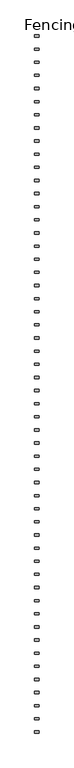
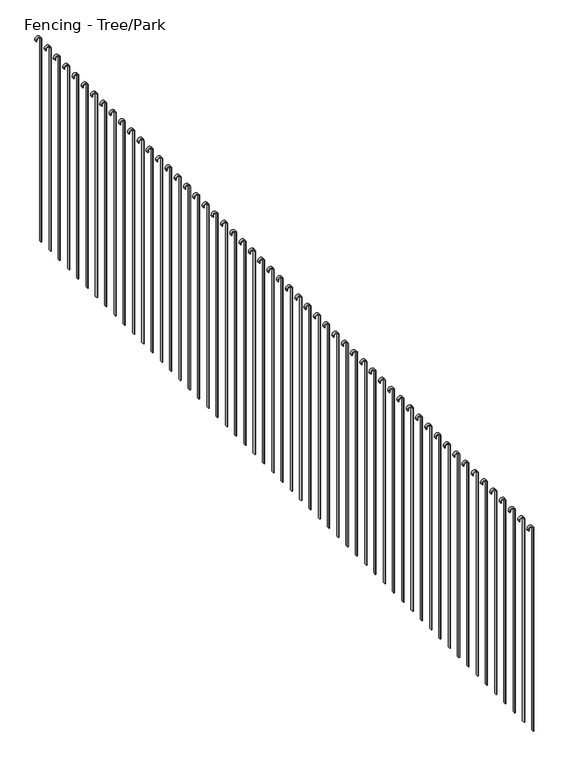
"""IFC4 building model written with IfcOpenShell, lengths in millimetres: railing geometry, Fencing - Tree/Park."""

from ifc_helpers import new_model, si_unit, point, frame, frame_2d, origin, place, context, project, spatial, polyline, circle_curve, trimmed, segment, composite_curve, outline, extrude, source, transform, mapped, element, save


def fencing_tree_park_f8fdad90(model_context):
    return source(origin(), model_context, "Body", "SweptSolid", [
        extrude(outline(composite_curve([segment(trimmed(circle_curve(frame_2d((1950.0, 5228.4077408)), 25.0), [point((1950.0, 5253.4077408))], [point((1950.0, 5203.4077408))], False, "CARTESIAN"), True, "CONTINUOUS"), segment(polyline([(1950.0, 5203.4077408), (1940.0, 5203.4077408), (1940.0, 5208.4077408), (1950.0, 5208.4077408)]), True, "CONTINUOUS"), segment(trimmed(circle_curve(frame_2d((1950.0, 5228.4077408)), 20.0), [point((1950.0, 5208.4077408))], [point((1950.0, 5248.4077408))], True, "CARTESIAN"), True, "CONTINUOUS"), segment(polyline([(1950.0, 5248.4077408), (-50.0, 5248.4077408), (-50.0, 5253.4077408), (1950.0, 5253.4077408)]), True, "CONTINUOUS")], self_intersect=False)), frame((0.0, 18376.2740332, 0.0), z_axis=(0.0, 1.0, 0.0), x_axis=(0.0, 0.0, 1.0)), (0.0, 0.0, 1.0), 25.0),
        extrude(outline(composite_curve([segment(trimmed(circle_curve(frame_2d((1950.0, 5228.4077408)), 25.0), [point((1950.0, 5253.4077408))], [point((1950.0, 5203.4077408))], False, "CARTESIAN"), True, "CONTINUOUS"), segment(polyline([(1950.0, 5203.4077408), (1940.0, 5203.4077408), (1940.0, 5208.4077408), (1950.0, 5208.4077408)]), True, "CONTINUOUS"), segment(trimmed(circle_curve(frame_2d((1950.0, 5228.4077408)), 20.0), [point((1950.0, 5208.4077408))], [point((1950.0, 5248.4077408))], True, "CARTESIAN"), True, "CONTINUOUS"), segment(polyline([(1950.0, 5248.4077408), (-50.0, 5248.4077408), (-50.0, 5253.4077408), (1950.0, 5253.4077408)]), True, "CONTINUOUS")], self_intersect=False)), frame((0.0, 18226.2740332, 0.0), z_axis=(0.0, 1.0, 0.0), x_axis=(0.0, 0.0, 1.0)), (0.0, 0.0, 1.0), 25.0),
        extrude(outline(composite_curve([segment(trimmed(circle_curve(frame_2d((1950.0, 5228.4077408)), 25.0), [point((1950.0, 5253.4077408))], [point((1950.0, 5203.4077408))], False, "CARTESIAN"), True, "CONTINUOUS"), segment(polyline([(1950.0, 5203.4077408), (1940.0, 5203.4077408), (1940.0, 5208.4077408), (1950.0, 5208.4077408)]), True, "CONTINUOUS"), segment(trimmed(circle_curve(frame_2d((1950.0, 5228.4077408)), 20.0), [point((1950.0, 5208.4077408))], [point((1950.0, 5248.4077408))], True, "CARTESIAN"), True, "CONTINUOUS"), segment(polyline([(1950.0, 5248.4077408), (-50.0, 5248.4077408), (-50.0, 5253.4077408), (1950.0, 5253.4077408)]), True, "CONTINUOUS")], self_intersect=False)), frame((0.0, 18076.2740332, 0.0), z_axis=(0.0, 1.0, 0.0), x_axis=(0.0, 0.0, 1.0)), (0.0, 0.0, 1.0), 25.0),
        extrude(outline(composite_curve([segment(trimmed(circle_curve(frame_2d((1950.0, 5228.4077408)), 25.0), [point((1950.0, 5253.4077408))], [point((1950.0, 5203.4077408))], False, "CARTESIAN"), True, "CONTINUOUS"), segment(polyline([(1950.0, 5203.4077408), (1940.0, 5203.4077408), (1940.0, 5208.4077408), (1950.0, 5208.4077408)]), True, "CONTINUOUS"), segment(trimmed(circle_curve(frame_2d((1950.0, 5228.4077408)), 20.0), [point((1950.0, 5208.4077408))], [point((1950.0, 5248.4077408))], True, "CARTESIAN"), True, "CONTINUOUS"), segment(polyline([(1950.0, 5248.4077408), (-50.0, 5248.4077408), (-50.0, 5253.4077408), (1950.0, 5253.4077408)]), True, "CONTINUOUS")], self_intersect=False)), frame((0.0, 17926.2740332, 0.0), z_axis=(0.0, 1.0, 0.0), x_axis=(0.0, 0.0, 1.0)), (0.0, 0.0, 1.0), 25.0),
        extrude(outline(composite_curve([segment(trimmed(circle_curve(frame_2d((1950.0, 5228.4077408)), 25.0), [point((1950.0, 5253.4077408))], [point((1950.0, 5203.4077408))], False, "CARTESIAN"), True, "CONTINUOUS"), segment(polyline([(1950.0, 5203.4077408), (1940.0, 5203.4077408), (1940.0, 5208.4077408), (1950.0, 5208.4077408)]), True, "CONTINUOUS"), segment(trimmed(circle_curve(frame_2d((1950.0, 5228.4077408)), 20.0), [point((1950.0, 5208.4077408))], [point((1950.0, 5248.4077408))], True, "CARTESIAN"), True, "CONTINUOUS"), segment(polyline([(1950.0, 5248.4077408), (-50.0, 5248.4077408), (-50.0, 5253.4077408), (1950.0, 5253.4077408)]), True, "CONTINUOUS")], self_intersect=False)), frame((0.0, 17776.2740332, 0.0), z_axis=(0.0, 1.0, 0.0), x_axis=(0.0, 0.0, 1.0)), (0.0, 0.0, 1.0), 25.0),
        extrude(outline(composite_curve([segment(trimmed(circle_curve(frame_2d((1950.0, 5228.4077408)), 25.0), [point((1950.0, 5253.4077408))], [point((1950.0, 5203.4077408))], False, "CARTESIAN"), True, "CONTINUOUS"), segment(polyline([(1950.0, 5203.4077408), (1940.0, 5203.4077408), (1940.0, 5208.4077408), (1950.0, 5208.4077408)]), True, "CONTINUOUS"), segment(trimmed(circle_curve(frame_2d((1950.0, 5228.4077408)), 20.0), [point((1950.0, 5208.4077408))], [point((1950.0, 5248.4077408))], True, "CARTESIAN"), True, "CONTINUOUS"), segment(polyline([(1950.0, 5248.4077408), (-50.0, 5248.4077408), (-50.0, 5253.4077408), (1950.0, 5253.4077408)]), True, "CONTINUOUS")], self_intersect=False)), frame((0.0, 17626.2740332, 0.0), z_axis=(0.0, 1.0, 0.0), x_axis=(0.0, 0.0, 1.0)), (0.0, 0.0, 1.0), 25.0),
        extrude(outline(composite_curve([segment(trimmed(circle_curve(frame_2d((1950.0, 5228.4077408)), 25.0), [point((1950.0, 5253.4077408))], [point((1950.0, 5203.4077408))], False, "CARTESIAN"), True, "CONTINUOUS"), segment(polyline([(1950.0, 5203.4077408), (1940.0, 5203.4077408), (1940.0, 5208.4077408), (1950.0, 5208.4077408)]), True, "CONTINUOUS"), segment(trimmed(circle_curve(frame_2d((1950.0, 5228.4077408)), 20.0), [point((1950.0, 5208.4077408))], [point((1950.0, 5248.4077408))], True, "CARTESIAN"), True, "CONTINUOUS"), segment(polyline([(1950.0, 5248.4077408), (-50.0, 5248.4077408), (-50.0, 5253.4077408), (1950.0, 5253.4077408)]), True, "CONTINUOUS")], self_intersect=False)), frame((0.0, 17476.2740332, 0.0), z_axis=(0.0, 1.0, 0.0), x_axis=(0.0, 0.0, 1.0)), (0.0, 0.0, 1.0), 25.0),
        extrude(outline(composite_curve([segment(trimmed(circle_curve(frame_2d((1950.0, 5228.4077408)), 25.0), [point((1950.0, 5253.4077408))], [point((1950.0, 5203.4077408))], False, "CARTESIAN"), True, "CONTINUOUS"), segment(polyline([(1950.0, 5203.4077408), (1940.0, 5203.4077408), (1940.0, 5208.4077408), (1950.0, 5208.4077408)]), True, "CONTINUOUS"), segment(trimmed(circle_curve(frame_2d((1950.0, 5228.4077408)), 20.0), [point((1950.0, 5208.4077408))], [point((1950.0, 5248.4077408))], True, "CARTESIAN"), True, "CONTINUOUS"), segment(polyline([(1950.0, 5248.4077408), (-50.0, 5248.4077408), (-50.0, 5253.4077408), (1950.0, 5253.4077408)]), True, "CONTINUOUS")], self_intersect=False)), frame((0.0, 17326.2740332, 0.0), z_axis=(0.0, 1.0, 0.0), x_axis=(0.0, 0.0, 1.0)), (0.0, 0.0, 1.0), 25.0),
        extrude(outline(composite_curve([segment(trimmed(circle_curve(frame_2d((1950.0, 5228.4077408)), 25.0), [point((1950.0, 5253.4077408))], [point((1950.0, 5203.4077408))], False, "CARTESIAN"), True, "CONTINUOUS"), segment(polyline([(1950.0, 5203.4077408), (1940.0, 5203.4077408), (1940.0, 5208.4077408), (1950.0, 5208.4077408)]), True, "CONTINUOUS"), segment(trimmed(circle_curve(frame_2d((1950.0, 5228.4077408)), 20.0), [point((1950.0, 5208.4077408))], [point((1950.0, 5248.4077408))], True, "CARTESIAN"), True, "CONTINUOUS"), segment(polyline([(1950.0, 5248.4077408), (-50.0, 5248.4077408), (-50.0, 5253.4077408), (1950.0, 5253.4077408)]), True, "CONTINUOUS")], self_intersect=False)), frame((0.0, 17176.2740332, 0.0), z_axis=(0.0, 1.0, 0.0), x_axis=(0.0, 0.0, 1.0)), (0.0, 0.0, 1.0), 25.0),
        extrude(outline(composite_curve([segment(trimmed(circle_curve(frame_2d((1950.0, 5228.4077408)), 25.0), [point((1950.0, 5253.4077408))], [point((1950.0, 5203.4077408))], False, "CARTESIAN"), True, "CONTINUOUS"), segment(polyline([(1950.0, 5203.4077408), (1940.0, 5203.4077408), (1940.0, 5208.4077408), (1950.0, 5208.4077408)]), True, "CONTINUOUS"), segment(trimmed(circle_curve(frame_2d((1950.0, 5228.4077408)), 20.0), [point((1950.0, 5208.4077408))], [point((1950.0, 5248.4077408))], True, "CARTESIAN"), True, "CONTINUOUS"), segment(polyline([(1950.0, 5248.4077408), (-50.0, 5248.4077408), (-50.0, 5253.4077408), (1950.0, 5253.4077408)]), True, "CONTINUOUS")], self_intersect=False)), frame((0.0, 17026.2740332, 0.0), z_axis=(0.0, 1.0, 0.0), x_axis=(0.0, 0.0, 1.0)), (0.0, 0.0, 1.0), 25.0),
        extrude(outline(composite_curve([segment(trimmed(circle_curve(frame_2d((1950.0, 5228.4077408)), 25.0), [point((1950.0, 5253.4077408))], [point((1950.0, 5203.4077408))], False, "CARTESIAN"), True, "CONTINUOUS"), segment(polyline([(1950.0, 5203.4077408), (1940.0, 5203.4077408), (1940.0, 5208.4077408), (1950.0, 5208.4077408)]), True, "CONTINUOUS"), segment(trimmed(circle_curve(frame_2d((1950.0, 5228.4077408)), 20.0), [point((1950.0, 5208.4077408))], [point((1950.0, 5248.4077408))], True, "CARTESIAN"), True, "CONTINUOUS"), segment(polyline([(1950.0, 5248.4077408), (-50.0, 5248.4077408), (-50.0, 5253.4077408), (1950.0, 5253.4077408)]), True, "CONTINUOUS")], self_intersect=False)), frame((0.0, 16876.2740332, 0.0), z_axis=(0.0, 1.0, 0.0), x_axis=(0.0, 0.0, 1.0)), (0.0, 0.0, 1.0), 25.0),
        extrude(outline(composite_curve([segment(trimmed(circle_curve(frame_2d((1950.0, 5228.4077408)), 25.0), [point((1950.0, 5253.4077408))], [point((1950.0, 5203.4077408))], False, "CARTESIAN"), True, "CONTINUOUS"), segment(polyline([(1950.0, 5203.4077408), (1940.0, 5203.4077408), (1940.0, 5208.4077408), (1950.0, 5208.4077408)]), True, "CONTINUOUS"), segment(trimmed(circle_curve(frame_2d((1950.0, 5228.4077408)), 20.0), [point((1950.0, 5208.4077408))], [point((1950.0, 5248.4077408))], True, "CARTESIAN"), True, "CONTINUOUS"), segment(polyline([(1950.0, 5248.4077408), (-50.0, 5248.4077408), (-50.0, 5253.4077408), (1950.0, 5253.4077408)]), True, "CONTINUOUS")], self_intersect=False)), frame((0.0, 16726.2740332, 0.0), z_axis=(0.0, 1.0, 0.0), x_axis=(0.0, 0.0, 1.0)), (0.0, 0.0, 1.0), 25.0),
        extrude(outline(composite_curve([segment(trimmed(circle_curve(frame_2d((1950.0, 5228.4077408)), 25.0), [point((1950.0, 5253.4077408))], [point((1950.0, 5203.4077408))], False, "CARTESIAN"), True, "CONTINUOUS"), segment(polyline([(1950.0, 5203.4077408), (1940.0, 5203.4077408), (1940.0, 5208.4077408), (1950.0, 5208.4077408)]), True, "CONTINUOUS"), segment(trimmed(circle_curve(frame_2d((1950.0, 5228.4077408)), 20.0), [point((1950.0, 5208.4077408))], [point((1950.0, 5248.4077408))], True, "CARTESIAN"), True, "CONTINUOUS"), segment(polyline([(1950.0, 5248.4077408), (-50.0, 5248.4077408), (-50.0, 5253.4077408), (1950.0, 5253.4077408)]), True, "CONTINUOUS")], self_intersect=False)), frame((0.0, 16576.2740332, 0.0), z_axis=(0.0, 1.0, 0.0), x_axis=(0.0, 0.0, 1.0)), (0.0, 0.0, 1.0), 25.0),
        extrude(outline(composite_curve([segment(trimmed(circle_curve(frame_2d((1950.0, 5228.4077408)), 25.0), [point((1950.0, 5253.4077408))], [point((1950.0, 5203.4077408))], False, "CARTESIAN"), True, "CONTINUOUS"), segment(polyline([(1950.0, 5203.4077408), (1940.0, 5203.4077408), (1940.0, 5208.4077408), (1950.0, 5208.4077408)]), True, "CONTINUOUS"), segment(trimmed(circle_curve(frame_2d((1950.0, 5228.4077408)), 20.0), [point((1950.0, 5208.4077408))], [point((1950.0, 5248.4077408))], True, "CARTESIAN"), True, "CONTINUOUS"), segment(polyline([(1950.0, 5248.4077408), (-50.0, 5248.4077408), (-50.0, 5253.4077408), (1950.0, 5253.4077408)]), True, "CONTINUOUS")], self_intersect=False)), frame((0.0, 16426.2740332, 0.0), z_axis=(0.0, 1.0, 0.0), x_axis=(0.0, 0.0, 1.0)), (0.0, 0.0, 1.0), 25.0),
        extrude(outline(composite_curve([segment(trimmed(circle_curve(frame_2d((1950.0, 5228.4077408)), 25.0), [point((1950.0, 5253.4077408))], [point((1950.0, 5203.4077408))], False, "CARTESIAN"), True, "CONTINUOUS"), segment(polyline([(1950.0, 5203.4077408), (1940.0, 5203.4077408), (1940.0, 5208.4077408), (1950.0, 5208.4077408)]), True, "CONTINUOUS"), segment(trimmed(circle_curve(frame_2d((1950.0, 5228.4077408)), 20.0), [point((1950.0, 5208.4077408))], [point((1950.0, 5248.4077408))], True, "CARTESIAN"), True, "CONTINUOUS"), segment(polyline([(1950.0, 5248.4077408), (-50.0, 5248.4077408), (-50.0, 5253.4077408), (1950.0, 5253.4077408)]), True, "CONTINUOUS")], self_intersect=False)), frame((0.0, 16276.2740332, 0.0), z_axis=(0.0, 1.0, 0.0), x_axis=(0.0, 0.0, 1.0)), (0.0, 0.0, 1.0), 25.0),
        extrude(outline(composite_curve([segment(trimmed(circle_curve(frame_2d((1950.0, 5228.4077408)), 25.0), [point((1950.0, 5253.4077408))], [point((1950.0, 5203.4077408))], False, "CARTESIAN"), True, "CONTINUOUS"), segment(polyline([(1950.0, 5203.4077408), (1940.0, 5203.4077408), (1940.0, 5208.4077408), (1950.0, 5208.4077408)]), True, "CONTINUOUS"), segment(trimmed(circle_curve(frame_2d((1950.0, 5228.4077408)), 20.0), [point((1950.0, 5208.4077408))], [point((1950.0, 5248.4077408))], True, "CARTESIAN"), True, "CONTINUOUS"), segment(polyline([(1950.0, 5248.4077408), (-50.0, 5248.4077408), (-50.0, 5253.4077408), (1950.0, 5253.4077408)]), True, "CONTINUOUS")], self_intersect=False)), frame((0.0, 16126.2740332, 0.0), z_axis=(0.0, 1.0, 0.0), x_axis=(0.0, 0.0, 1.0)), (0.0, 0.0, 1.0), 25.0),
        extrude(outline(composite_curve([segment(trimmed(circle_curve(frame_2d((1950.0, 5228.4077408)), 25.0), [point((1950.0, 5253.4077408))], [point((1950.0, 5203.4077408))], False, "CARTESIAN"), True, "CONTINUOUS"), segment(polyline([(1950.0, 5203.4077408), (1940.0, 5203.4077408), (1940.0, 5208.4077408), (1950.0, 5208.4077408)]), True, "CONTINUOUS"), segment(trimmed(circle_curve(frame_2d((1950.0, 5228.4077408)), 20.0), [point((1950.0, 5208.4077408))], [point((1950.0, 5248.4077408))], True, "CARTESIAN"), True, "CONTINUOUS"), segment(polyline([(1950.0, 5248.4077408), (-50.0, 5248.4077408), (-50.0, 5253.4077408), (1950.0, 5253.4077408)]), True, "CONTINUOUS")], self_intersect=False)), frame((0.0, 15976.2740332, 0.0), z_axis=(0.0, 1.0, 0.0), x_axis=(0.0, 0.0, 1.0)), (0.0, 0.0, 1.0), 25.0),
        extrude(outline(composite_curve([segment(trimmed(circle_curve(frame_2d((1950.0, 5228.4077408)), 25.0), [point((1950.0, 5253.4077408))], [point((1950.0, 5203.4077408))], False, "CARTESIAN"), True, "CONTINUOUS"), segment(polyline([(1950.0, 5203.4077408), (1940.0, 5203.4077408), (1940.0, 5208.4077408), (1950.0, 5208.4077408)]), True, "CONTINUOUS"), segment(trimmed(circle_curve(frame_2d((1950.0, 5228.4077408)), 20.0), [point((1950.0, 5208.4077408))], [point((1950.0, 5248.4077408))], True, "CARTESIAN"), True, "CONTINUOUS"), segment(polyline([(1950.0, 5248.4077408), (-50.0, 5248.4077408), (-50.0, 5253.4077408), (1950.0, 5253.4077408)]), True, "CONTINUOUS")], self_intersect=False)), frame((0.0, 15826.2740332, 0.0), z_axis=(0.0, 1.0, 0.0), x_axis=(0.0, 0.0, 1.0)), (0.0, 0.0, 1.0), 25.0),
        extrude(outline(composite_curve([segment(trimmed(circle_curve(frame_2d((1950.0, 5228.4077408)), 25.0), [point((1950.0, 5253.4077408))], [point((1950.0, 5203.4077408))], False, "CARTESIAN"), True, "CONTINUOUS"), segment(polyline([(1950.0, 5203.4077408), (1940.0, 5203.4077408), (1940.0, 5208.4077408), (1950.0, 5208.4077408)]), True, "CONTINUOUS"), segment(trimmed(circle_curve(frame_2d((1950.0, 5228.4077408)), 20.0), [point((1950.0, 5208.4077408))], [point((1950.0, 5248.4077408))], True, "CARTESIAN"), True, "CONTINUOUS"), segment(polyline([(1950.0, 5248.4077408), (-50.0, 5248.4077408), (-50.0, 5253.4077408), (1950.0, 5253.4077408)]), True, "CONTINUOUS")], self_intersect=False)), frame((0.0, 15676.2740332, 0.0), z_axis=(0.0, 1.0, 0.0), x_axis=(0.0, 0.0, 1.0)), (0.0, 0.0, 1.0), 25.0),
        extrude(outline(composite_curve([segment(trimmed(circle_curve(frame_2d((1950.0, 5228.4077408)), 25.0), [point((1950.0, 5253.4077408))], [point((1950.0, 5203.4077408))], False, "CARTESIAN"), True, "CONTINUOUS"), segment(polyline([(1950.0, 5203.4077408), (1940.0, 5203.4077408), (1940.0, 5208.4077408), (1950.0, 5208.4077408)]), True, "CONTINUOUS"), segment(trimmed(circle_curve(frame_2d((1950.0, 5228.4077408)), 20.0), [point((1950.0, 5208.4077408))], [point((1950.0, 5248.4077408))], True, "CARTESIAN"), True, "CONTINUOUS"), segment(polyline([(1950.0, 5248.4077408), (-50.0, 5248.4077408), (-50.0, 5253.4077408), (1950.0, 5253.4077408)]), True, "CONTINUOUS")], self_intersect=False)), frame((0.0, 15526.2740332, 0.0), z_axis=(0.0, 1.0, 0.0), x_axis=(0.0, 0.0, 1.0)), (0.0, 0.0, 1.0), 25.0),
        extrude(outline(composite_curve([segment(trimmed(circle_curve(frame_2d((1950.0, 5228.4077408)), 25.0), [point((1950.0, 5253.4077408))], [point((1950.0, 5203.4077408))], False, "CARTESIAN"), True, "CONTINUOUS"), segment(polyline([(1950.0, 5203.4077408), (1940.0, 5203.4077408), (1940.0, 5208.4077408), (1950.0, 5208.4077408)]), True, "CONTINUOUS"), segment(trimmed(circle_curve(frame_2d((1950.0, 5228.4077408)), 20.0), [point((1950.0, 5208.4077408))], [point((1950.0, 5248.4077408))], True, "CARTESIAN"), True, "CONTINUOUS"), segment(polyline([(1950.0, 5248.4077408), (-50.0, 5248.4077408), (-50.0, 5253.4077408), (1950.0, 5253.4077408)]), True, "CONTINUOUS")], self_intersect=False)), frame((0.0, 15376.2740332, 0.0), z_axis=(0.0, 1.0, 0.0), x_axis=(0.0, 0.0, 1.0)), (0.0, 0.0, 1.0), 25.0),
        extrude(outline(composite_curve([segment(trimmed(circle_curve(frame_2d((1950.0, 5228.4077408)), 25.0), [point((1950.0, 5253.4077408))], [point((1950.0, 5203.4077408))], False, "CARTESIAN"), True, "CONTINUOUS"), segment(polyline([(1950.0, 5203.4077408), (1940.0, 5203.4077408), (1940.0, 5208.4077408), (1950.0, 5208.4077408)]), True, "CONTINUOUS"), segment(trimmed(circle_curve(frame_2d((1950.0, 5228.4077408)), 20.0), [point((1950.0, 5208.4077408))], [point((1950.0, 5248.4077408))], True, "CARTESIAN"), True, "CONTINUOUS"), segment(polyline([(1950.0, 5248.4077408), (-50.0, 5248.4077408), (-50.0, 5253.4077408), (1950.0, 5253.4077408)]), True, "CONTINUOUS")], self_intersect=False)), frame((0.0, 15226.2740332, 0.0), z_axis=(0.0, 1.0, 0.0), x_axis=(0.0, 0.0, 1.0)), (0.0, 0.0, 1.0), 25.0),
        extrude(outline(composite_curve([segment(trimmed(circle_curve(frame_2d((1950.0, 5228.4077408)), 25.0), [point((1950.0, 5253.4077408))], [point((1950.0, 5203.4077408))], False, "CARTESIAN"), True, "CONTINUOUS"), segment(polyline([(1950.0, 5203.4077408), (1940.0, 5203.4077408), (1940.0, 5208.4077408), (1950.0, 5208.4077408)]), True, "CONTINUOUS"), segment(trimmed(circle_curve(frame_2d((1950.0, 5228.4077408)), 20.0), [point((1950.0, 5208.4077408))], [point((1950.0, 5248.4077408))], True, "CARTESIAN"), True, "CONTINUOUS"), segment(polyline([(1950.0, 5248.4077408), (-50.0, 5248.4077408), (-50.0, 5253.4077408), (1950.0, 5253.4077408)]), True, "CONTINUOUS")], self_intersect=False)), frame((0.0, 15076.2740332, 0.0), z_axis=(0.0, 1.0, 0.0), x_axis=(0.0, 0.0, 1.0)), (0.0, 0.0, 1.0), 25.0),
        extrude(outline(composite_curve([segment(trimmed(circle_curve(frame_2d((1950.0, 5228.4077408)), 25.0), [point((1950.0, 5253.4077408))], [point((1950.0, 5203.4077408))], False, "CARTESIAN"), True, "CONTINUOUS"), segment(polyline([(1950.0, 5203.4077408), (1940.0, 5203.4077408), (1940.0, 5208.4077408), (1950.0, 5208.4077408)]), True, "CONTINUOUS"), segment(trimmed(circle_curve(frame_2d((1950.0, 5228.4077408)), 20.0), [point((1950.0, 5208.4077408))], [point((1950.0, 5248.4077408))], True, "CARTESIAN"), True, "CONTINUOUS"), segment(polyline([(1950.0, 5248.4077408), (-50.0, 5248.4077408), (-50.0, 5253.4077408), (1950.0, 5253.4077408)]), True, "CONTINUOUS")], self_intersect=False)), frame((0.0, 14926.2740332, 0.0), z_axis=(0.0, 1.0, 0.0), x_axis=(0.0, 0.0, 1.0)), (0.0, 0.0, 1.0), 25.0),
        extrude(outline(composite_curve([segment(trimmed(circle_curve(frame_2d((1950.0, 5228.4077408)), 25.0), [point((1950.0, 5253.4077408))], [point((1950.0, 5203.4077408))], False, "CARTESIAN"), True, "CONTINUOUS"), segment(polyline([(1950.0, 5203.4077408), (1940.0, 5203.4077408), (1940.0, 5208.4077408), (1950.0, 5208.4077408)]), True, "CONTINUOUS"), segment(trimmed(circle_curve(frame_2d((1950.0, 5228.4077408)), 20.0), [point((1950.0, 5208.4077408))], [point((1950.0, 5248.4077408))], True, "CARTESIAN"), True, "CONTINUOUS"), segment(polyline([(1950.0, 5248.4077408), (-50.0, 5248.4077408), (-50.0, 5253.4077408), (1950.0, 5253.4077408)]), True, "CONTINUOUS")], self_intersect=False)), frame((0.0, 14776.2740332, 0.0), z_axis=(0.0, 1.0, 0.0), x_axis=(0.0, 0.0, 1.0)), (0.0, 0.0, 1.0), 25.0),
        extrude(outline(composite_curve([segment(trimmed(circle_curve(frame_2d((1950.0, 5228.4077408)), 25.0), [point((1950.0, 5253.4077408))], [point((1950.0, 5203.4077408))], False, "CARTESIAN"), True, "CONTINUOUS"), segment(polyline([(1950.0, 5203.4077408), (1940.0, 5203.4077408), (1940.0, 5208.4077408), (1950.0, 5208.4077408)]), True, "CONTINUOUS"), segment(trimmed(circle_curve(frame_2d((1950.0, 5228.4077408)), 20.0), [point((1950.0, 5208.4077408))], [point((1950.0, 5248.4077408))], True, "CARTESIAN"), True, "CONTINUOUS"), segment(polyline([(1950.0, 5248.4077408), (-50.0, 5248.4077408), (-50.0, 5253.4077408), (1950.0, 5253.4077408)]), True, "CONTINUOUS")], self_intersect=False)), frame((0.0, 14626.2740332, 0.0), z_axis=(0.0, 1.0, 0.0), x_axis=(0.0, 0.0, 1.0)), (0.0, 0.0, 1.0), 25.0),
        extrude(outline(composite_curve([segment(trimmed(circle_curve(frame_2d((1950.0, 5228.4077408)), 25.0), [point((1950.0, 5253.4077408))], [point((1950.0, 5203.4077408))], False, "CARTESIAN"), True, "CONTINUOUS"), segment(polyline([(1950.0, 5203.4077408), (1940.0, 5203.4077408), (1940.0, 5208.4077408), (1950.0, 5208.4077408)]), True, "CONTINUOUS"), segment(trimmed(circle_curve(frame_2d((1950.0, 5228.4077408)), 20.0), [point((1950.0, 5208.4077408))], [point((1950.0, 5248.4077408))], True, "CARTESIAN"), True, "CONTINUOUS"), segment(polyline([(1950.0, 5248.4077408), (-50.0, 5248.4077408), (-50.0, 5253.4077408), (1950.0, 5253.4077408)]), True, "CONTINUOUS")], self_intersect=False)), frame((0.0, 14476.2740332, 0.0), z_axis=(0.0, 1.0, 0.0), x_axis=(0.0, 0.0, 1.0)), (0.0, 0.0, 1.0), 25.0),
        extrude(outline(composite_curve([segment(trimmed(circle_curve(frame_2d((1950.0, 5228.4077408)), 25.0), [point((1950.0, 5253.4077408))], [point((1950.0, 5203.4077408))], False, "CARTESIAN"), True, "CONTINUOUS"), segment(polyline([(1950.0, 5203.4077408), (1940.0, 5203.4077408), (1940.0, 5208.4077408), (1950.0, 5208.4077408)]), True, "CONTINUOUS"), segment(trimmed(circle_curve(frame_2d((1950.0, 5228.4077408)), 20.0), [point((1950.0, 5208.4077408))], [point((1950.0, 5248.4077408))], True, "CARTESIAN"), True, "CONTINUOUS"), segment(polyline([(1950.0, 5248.4077408), (-50.0, 5248.4077408), (-50.0, 5253.4077408), (1950.0, 5253.4077408)]), True, "CONTINUOUS")], self_intersect=False)), frame((0.0, 14326.2740332, 0.0), z_axis=(0.0, 1.0, 0.0), x_axis=(0.0, 0.0, 1.0)), (0.0, 0.0, 1.0), 25.0),
        extrude(outline(composite_curve([segment(trimmed(circle_curve(frame_2d((1950.0, 5228.4077408)), 25.0), [point((1950.0, 5253.4077408))], [point((1950.0, 5203.4077408))], False, "CARTESIAN"), True, "CONTINUOUS"), segment(polyline([(1950.0, 5203.4077408), (1940.0, 5203.4077408), (1940.0, 5208.4077408), (1950.0, 5208.4077408)]), True, "CONTINUOUS"), segment(trimmed(circle_curve(frame_2d((1950.0, 5228.4077408)), 20.0), [point((1950.0, 5208.4077408))], [point((1950.0, 5248.4077408))], True, "CARTESIAN"), True, "CONTINUOUS"), segment(polyline([(1950.0, 5248.4077408), (-50.0, 5248.4077408), (-50.0, 5253.4077408), (1950.0, 5253.4077408)]), True, "CONTINUOUS")], self_intersect=False)), frame((0.0, 14176.2740332, 0.0), z_axis=(0.0, 1.0, 0.0), x_axis=(0.0, 0.0, 1.0)), (0.0, 0.0, 1.0), 25.0),
        extrude(outline(composite_curve([segment(trimmed(circle_curve(frame_2d((1950.0, 5228.4077408)), 25.0), [point((1950.0, 5253.4077408))], [point((1950.0, 5203.4077408))], False, "CARTESIAN"), True, "CONTINUOUS"), segment(polyline([(1950.0, 5203.4077408), (1940.0, 5203.4077408), (1940.0, 5208.4077408), (1950.0, 5208.4077408)]), True, "CONTINUOUS"), segment(trimmed(circle_curve(frame_2d((1950.0, 5228.4077408)), 20.0), [point((1950.0, 5208.4077408))], [point((1950.0, 5248.4077408))], True, "CARTESIAN"), True, "CONTINUOUS"), segment(polyline([(1950.0, 5248.4077408), (-50.0, 5248.4077408), (-50.0, 5253.4077408), (1950.0, 5253.4077408)]), True, "CONTINUOUS")], self_intersect=False)), frame((0.0, 14026.2740332, 0.0), z_axis=(0.0, 1.0, 0.0), x_axis=(0.0, 0.0, 1.0)), (0.0, 0.0, 1.0), 25.0),
        extrude(outline(composite_curve([segment(trimmed(circle_curve(frame_2d((1950.0, 5228.4077408)), 25.0), [point((1950.0, 5253.4077408))], [point((1950.0, 5203.4077408))], False, "CARTESIAN"), True, "CONTINUOUS"), segment(polyline([(1950.0, 5203.4077408), (1940.0, 5203.4077408), (1940.0, 5208.4077408), (1950.0, 5208.4077408)]), True, "CONTINUOUS"), segment(trimmed(circle_curve(frame_2d((1950.0, 5228.4077408)), 20.0), [point((1950.0, 5208.4077408))], [point((1950.0, 5248.4077408))], True, "CARTESIAN"), True, "CONTINUOUS"), segment(polyline([(1950.0, 5248.4077408), (-50.0, 5248.4077408), (-50.0, 5253.4077408), (1950.0, 5253.4077408)]), True, "CONTINUOUS")], self_intersect=False)), frame((0.0, 13876.2740332, 0.0), z_axis=(0.0, 1.0, 0.0), x_axis=(0.0, 0.0, 1.0)), (0.0, 0.0, 1.0), 25.0),
        extrude(outline(composite_curve([segment(trimmed(circle_curve(frame_2d((1950.0, 5228.4077408)), 25.0), [point((1950.0, 5253.4077408))], [point((1950.0, 5203.4077408))], False, "CARTESIAN"), True, "CONTINUOUS"), segment(polyline([(1950.0, 5203.4077408), (1940.0, 5203.4077408), (1940.0, 5208.4077408), (1950.0, 5208.4077408)]), True, "CONTINUOUS"), segment(trimmed(circle_curve(frame_2d((1950.0, 5228.4077408)), 20.0), [point((1950.0, 5208.4077408))], [point((1950.0, 5248.4077408))], True, "CARTESIAN"), True, "CONTINUOUS"), segment(polyline([(1950.0, 5248.4077408), (-50.0, 5248.4077408), (-50.0, 5253.4077408), (1950.0, 5253.4077408)]), True, "CONTINUOUS")], self_intersect=False)), frame((0.0, 13726.2740332, 0.0), z_axis=(0.0, 1.0, 0.0), x_axis=(0.0, 0.0, 1.0)), (0.0, 0.0, 1.0), 25.0),
        extrude(outline(composite_curve([segment(trimmed(circle_curve(frame_2d((1950.0, 5228.4077408)), 25.0), [point((1950.0, 5253.4077408))], [point((1950.0, 5203.4077408))], False, "CARTESIAN"), True, "CONTINUOUS"), segment(polyline([(1950.0, 5203.4077408), (1940.0, 5203.4077408), (1940.0, 5208.4077408), (1950.0, 5208.4077408)]), True, "CONTINUOUS"), segment(trimmed(circle_curve(frame_2d((1950.0, 5228.4077408)), 20.0), [point((1950.0, 5208.4077408))], [point((1950.0, 5248.4077408))], True, "CARTESIAN"), True, "CONTINUOUS"), segment(polyline([(1950.0, 5248.4077408), (-50.0, 5248.4077408), (-50.0, 5253.4077408), (1950.0, 5253.4077408)]), True, "CONTINUOUS")], self_intersect=False)), frame((0.0, 13576.2740332, 0.0), z_axis=(0.0, 1.0, 0.0), x_axis=(0.0, 0.0, 1.0)), (0.0, 0.0, 1.0), 25.0),
        extrude(outline(composite_curve([segment(trimmed(circle_curve(frame_2d((1950.0, 5228.4077408)), 25.0), [point((1950.0, 5253.4077408))], [point((1950.0, 5203.4077408))], False, "CARTESIAN"), True, "CONTINUOUS"), segment(polyline([(1950.0, 5203.4077408), (1940.0, 5203.4077408), (1940.0, 5208.4077408), (1950.0, 5208.4077408)]), True, "CONTINUOUS"), segment(trimmed(circle_curve(frame_2d((1950.0, 5228.4077408)), 20.0), [point((1950.0, 5208.4077408))], [point((1950.0, 5248.4077408))], True, "CARTESIAN"), True, "CONTINUOUS"), segment(polyline([(1950.0, 5248.4077408), (-50.0, 5248.4077408), (-50.0, 5253.4077408), (1950.0, 5253.4077408)]), True, "CONTINUOUS")], self_intersect=False)), frame((0.0, 13426.2740332, 0.0), z_axis=(0.0, 1.0, 0.0), x_axis=(0.0, 0.0, 1.0)), (0.0, 0.0, 1.0), 25.0),
        extrude(outline(composite_curve([segment(trimmed(circle_curve(frame_2d((1950.0, 5228.4077408)), 25.0), [point((1950.0, 5253.4077408))], [point((1950.0, 5203.4077408))], False, "CARTESIAN"), True, "CONTINUOUS"), segment(polyline([(1950.0, 5203.4077408), (1940.0, 5203.4077408), (1940.0, 5208.4077408), (1950.0, 5208.4077408)]), True, "CONTINUOUS"), segment(trimmed(circle_curve(frame_2d((1950.0, 5228.4077408)), 20.0), [point((1950.0, 5208.4077408))], [point((1950.0, 5248.4077408))], True, "CARTESIAN"), True, "CONTINUOUS"), segment(polyline([(1950.0, 5248.4077408), (-50.0, 5248.4077408), (-50.0, 5253.4077408), (1950.0, 5253.4077408)]), True, "CONTINUOUS")], self_intersect=False)), frame((0.0, 13276.2740332, 0.0), z_axis=(0.0, 1.0, 0.0), x_axis=(0.0, 0.0, 1.0)), (0.0, 0.0, 1.0), 25.0),
        extrude(outline(composite_curve([segment(trimmed(circle_curve(frame_2d((1950.0, 5228.4077408)), 25.0), [point((1950.0, 5253.4077408))], [point((1950.0, 5203.4077408))], False, "CARTESIAN"), True, "CONTINUOUS"), segment(polyline([(1950.0, 5203.4077408), (1940.0, 5203.4077408), (1940.0, 5208.4077408), (1950.0, 5208.4077408)]), True, "CONTINUOUS"), segment(trimmed(circle_curve(frame_2d((1950.0, 5228.4077408)), 20.0), [point((1950.0, 5208.4077408))], [point((1950.0, 5248.4077408))], True, "CARTESIAN"), True, "CONTINUOUS"), segment(polyline([(1950.0, 5248.4077408), (-50.0, 5248.4077408), (-50.0, 5253.4077408), (1950.0, 5253.4077408)]), True, "CONTINUOUS")], self_intersect=False)), frame((0.0, 13126.2740332, 0.0), z_axis=(0.0, 1.0, 0.0), x_axis=(0.0, 0.0, 1.0)), (0.0, 0.0, 1.0), 25.0),
        extrude(outline(composite_curve([segment(trimmed(circle_curve(frame_2d((1950.0, 5228.4077408)), 25.0), [point((1950.0, 5253.4077408))], [point((1950.0, 5203.4077408))], False, "CARTESIAN"), True, "CONTINUOUS"), segment(polyline([(1950.0, 5203.4077408), (1940.0, 5203.4077408), (1940.0, 5208.4077408), (1950.0, 5208.4077408)]), True, "CONTINUOUS"), segment(trimmed(circle_curve(frame_2d((1950.0, 5228.4077408)), 20.0), [point((1950.0, 5208.4077408))], [point((1950.0, 5248.4077408))], True, "CARTESIAN"), True, "CONTINUOUS"), segment(polyline([(1950.0, 5248.4077408), (-50.0, 5248.4077408), (-50.0, 5253.4077408), (1950.0, 5253.4077408)]), True, "CONTINUOUS")], self_intersect=False)), frame((0.0, 12976.2740332, 0.0), z_axis=(0.0, 1.0, 0.0), x_axis=(0.0, 0.0, 1.0)), (0.0, 0.0, 1.0), 25.0),
        extrude(outline(composite_curve([segment(trimmed(circle_curve(frame_2d((1950.0, 5228.4077408)), 25.0), [point((1950.0, 5253.4077408))], [point((1950.0, 5203.4077408))], False, "CARTESIAN"), True, "CONTINUOUS"), segment(polyline([(1950.0, 5203.4077408), (1940.0, 5203.4077408), (1940.0, 5208.4077408), (1950.0, 5208.4077408)]), True, "CONTINUOUS"), segment(trimmed(circle_curve(frame_2d((1950.0, 5228.4077408)), 20.0), [point((1950.0, 5208.4077408))], [point((1950.0, 5248.4077408))], True, "CARTESIAN"), True, "CONTINUOUS"), segment(polyline([(1950.0, 5248.4077408), (-50.0, 5248.4077408), (-50.0, 5253.4077408), (1950.0, 5253.4077408)]), True, "CONTINUOUS")], self_intersect=False)), frame((0.0, 12826.2740332, 0.0), z_axis=(0.0, 1.0, 0.0), x_axis=(0.0, 0.0, 1.0)), (0.0, 0.0, 1.0), 25.0),
        extrude(outline(composite_curve([segment(trimmed(circle_curve(frame_2d((1950.0, 5228.4077408)), 25.0), [point((1950.0, 5253.4077408))], [point((1950.0, 5203.4077408))], False, "CARTESIAN"), True, "CONTINUOUS"), segment(polyline([(1950.0, 5203.4077408), (1940.0, 5203.4077408), (1940.0, 5208.4077408), (1950.0, 5208.4077408)]), True, "CONTINUOUS"), segment(trimmed(circle_curve(frame_2d((1950.0, 5228.4077408)), 20.0), [point((1950.0, 5208.4077408))], [point((1950.0, 5248.4077408))], True, "CARTESIAN"), True, "CONTINUOUS"), segment(polyline([(1950.0, 5248.4077408), (-50.0, 5248.4077408), (-50.0, 5253.4077408), (1950.0, 5253.4077408)]), True, "CONTINUOUS")], self_intersect=False)), frame((0.0, 12676.2740332, 0.0), z_axis=(0.0, 1.0, 0.0), x_axis=(0.0, 0.0, 1.0)), (0.0, 0.0, 1.0), 25.0),
        extrude(outline(composite_curve([segment(trimmed(circle_curve(frame_2d((1950.0, 5228.4077408)), 25.0), [point((1950.0, 5253.4077408))], [point((1950.0, 5203.4077408))], False, "CARTESIAN"), True, "CONTINUOUS"), segment(polyline([(1950.0, 5203.4077408), (1940.0, 5203.4077408), (1940.0, 5208.4077408), (1950.0, 5208.4077408)]), True, "CONTINUOUS"), segment(trimmed(circle_curve(frame_2d((1950.0, 5228.4077408)), 20.0), [point((1950.0, 5208.4077408))], [point((1950.0, 5248.4077408))], True, "CARTESIAN"), True, "CONTINUOUS"), segment(polyline([(1950.0, 5248.4077408), (-50.0, 5248.4077408), (-50.0, 5253.4077408), (1950.0, 5253.4077408)]), True, "CONTINUOUS")], self_intersect=False)), frame((0.0, 12526.2740332, 0.0), z_axis=(0.0, 1.0, 0.0), x_axis=(0.0, 0.0, 1.0)), (0.0, 0.0, 1.0), 25.0),
        extrude(outline(composite_curve([segment(trimmed(circle_curve(frame_2d((1950.0, 5228.4077408)), 25.0), [point((1950.0, 5253.4077408))], [point((1950.0, 5203.4077408))], False, "CARTESIAN"), True, "CONTINUOUS"), segment(polyline([(1950.0, 5203.4077408), (1940.0, 5203.4077408), (1940.0, 5208.4077408), (1950.0, 5208.4077408)]), True, "CONTINUOUS"), segment(trimmed(circle_curve(frame_2d((1950.0, 5228.4077408)), 20.0), [point((1950.0, 5208.4077408))], [point((1950.0, 5248.4077408))], True, "CARTESIAN"), True, "CONTINUOUS"), segment(polyline([(1950.0, 5248.4077408), (-50.0, 5248.4077408), (-50.0, 5253.4077408), (1950.0, 5253.4077408)]), True, "CONTINUOUS")], self_intersect=False)), frame((0.0, 12376.2740332, 0.0), z_axis=(0.0, 1.0, 0.0), x_axis=(0.0, 0.0, 1.0)), (0.0, 0.0, 1.0), 25.0),
        extrude(outline(composite_curve([segment(trimmed(circle_curve(frame_2d((1950.0, 5228.4077408)), 25.0), [point((1950.0, 5253.4077408))], [point((1950.0, 5203.4077408))], False, "CARTESIAN"), True, "CONTINUOUS"), segment(polyline([(1950.0, 5203.4077408), (1940.0, 5203.4077408), (1940.0, 5208.4077408), (1950.0, 5208.4077408)]), True, "CONTINUOUS"), segment(trimmed(circle_curve(frame_2d((1950.0, 5228.4077408)), 20.0), [point((1950.0, 5208.4077408))], [point((1950.0, 5248.4077408))], True, "CARTESIAN"), True, "CONTINUOUS"), segment(polyline([(1950.0, 5248.4077408), (-50.0, 5248.4077408), (-50.0, 5253.4077408), (1950.0, 5253.4077408)]), True, "CONTINUOUS")], self_intersect=False)), frame((0.0, 12226.2740332, 0.0), z_axis=(0.0, 1.0, 0.0), x_axis=(0.0, 0.0, 1.0)), (0.0, 0.0, 1.0), 25.0),
        extrude(outline(composite_curve([segment(trimmed(circle_curve(frame_2d((1950.0, 5228.4077408)), 25.0), [point((1950.0, 5253.4077408))], [point((1950.0, 5203.4077408))], False, "CARTESIAN"), True, "CONTINUOUS"), segment(polyline([(1950.0, 5203.4077408), (1940.0, 5203.4077408), (1940.0, 5208.4077408), (1950.0, 5208.4077408)]), True, "CONTINUOUS"), segment(trimmed(circle_curve(frame_2d((1950.0, 5228.4077408)), 20.0), [point((1950.0, 5208.4077408))], [point((1950.0, 5248.4077408))], True, "CARTESIAN"), True, "CONTINUOUS"), segment(polyline([(1950.0, 5248.4077408), (-50.0, 5248.4077408), (-50.0, 5253.4077408), (1950.0, 5253.4077408)]), True, "CONTINUOUS")], self_intersect=False)), frame((0.0, 12076.2740332, 0.0), z_axis=(0.0, 1.0, 0.0), x_axis=(0.0, 0.0, 1.0)), (0.0, 0.0, 1.0), 25.0),
        extrude(outline(composite_curve([segment(trimmed(circle_curve(frame_2d((1950.0, 5228.4077408)), 25.0), [point((1950.0, 5253.4077408))], [point((1950.0, 5203.4077408))], False, "CARTESIAN"), True, "CONTINUOUS"), segment(polyline([(1950.0, 5203.4077408), (1940.0, 5203.4077408), (1940.0, 5208.4077408), (1950.0, 5208.4077408)]), True, "CONTINUOUS"), segment(trimmed(circle_curve(frame_2d((1950.0, 5228.4077408)), 20.0), [point((1950.0, 5208.4077408))], [point((1950.0, 5248.4077408))], True, "CARTESIAN"), True, "CONTINUOUS"), segment(polyline([(1950.0, 5248.4077408), (-50.0, 5248.4077408), (-50.0, 5253.4077408), (1950.0, 5253.4077408)]), True, "CONTINUOUS")], self_intersect=False)), frame((0.0, 11926.2740332, 0.0), z_axis=(0.0, 1.0, 0.0), x_axis=(0.0, 0.0, 1.0)), (0.0, 0.0, 1.0), 25.0),
        extrude(outline(composite_curve([segment(trimmed(circle_curve(frame_2d((1950.0, 5228.4077408)), 25.0), [point((1950.0, 5253.4077408))], [point((1950.0, 5203.4077408))], False, "CARTESIAN"), True, "CONTINUOUS"), segment(polyline([(1950.0, 5203.4077408), (1940.0, 5203.4077408), (1940.0, 5208.4077408), (1950.0, 5208.4077408)]), True, "CONTINUOUS"), segment(trimmed(circle_curve(frame_2d((1950.0, 5228.4077408)), 20.0), [point((1950.0, 5208.4077408))], [point((1950.0, 5248.4077408))], True, "CARTESIAN"), True, "CONTINUOUS"), segment(polyline([(1950.0, 5248.4077408), (-50.0, 5248.4077408), (-50.0, 5253.4077408), (1950.0, 5253.4077408)]), True, "CONTINUOUS")], self_intersect=False)), frame((0.0, 11776.2740332, 0.0), z_axis=(0.0, 1.0, 0.0), x_axis=(0.0, 0.0, 1.0)), (0.0, 0.0, 1.0), 25.0),
        extrude(outline(composite_curve([segment(trimmed(circle_curve(frame_2d((1950.0, 5228.4077408)), 25.0), [point((1950.0, 5253.4077408))], [point((1950.0, 5203.4077408))], False, "CARTESIAN"), True, "CONTINUOUS"), segment(polyline([(1950.0, 5203.4077408), (1940.0, 5203.4077408), (1940.0, 5208.4077408), (1950.0, 5208.4077408)]), True, "CONTINUOUS"), segment(trimmed(circle_curve(frame_2d((1950.0, 5228.4077408)), 20.0), [point((1950.0, 5208.4077408))], [point((1950.0, 5248.4077408))], True, "CARTESIAN"), True, "CONTINUOUS"), segment(polyline([(1950.0, 5248.4077408), (-50.0, 5248.4077408), (-50.0, 5253.4077408), (1950.0, 5253.4077408)]), True, "CONTINUOUS")], self_intersect=False)), frame((0.0, 11626.2740332, 0.0), z_axis=(0.0, 1.0, 0.0), x_axis=(0.0, 0.0, 1.0)), (0.0, 0.0, 1.0), 25.0),
        extrude(outline(composite_curve([segment(trimmed(circle_curve(frame_2d((1950.0, 5228.4077408)), 25.0), [point((1950.0, 5253.4077408))], [point((1950.0, 5203.4077408))], False, "CARTESIAN"), True, "CONTINUOUS"), segment(polyline([(1950.0, 5203.4077408), (1940.0, 5203.4077408), (1940.0, 5208.4077408), (1950.0, 5208.4077408)]), True, "CONTINUOUS"), segment(trimmed(circle_curve(frame_2d((1950.0, 5228.4077408)), 20.0), [point((1950.0, 5208.4077408))], [point((1950.0, 5248.4077408))], True, "CARTESIAN"), True, "CONTINUOUS"), segment(polyline([(1950.0, 5248.4077408), (-50.0, 5248.4077408), (-50.0, 5253.4077408), (1950.0, 5253.4077408)]), True, "CONTINUOUS")], self_intersect=False)), frame((0.0, 11476.2740332, 0.0), z_axis=(0.0, 1.0, 0.0), x_axis=(0.0, 0.0, 1.0)), (0.0, 0.0, 1.0), 25.0),
        extrude(outline(composite_curve([segment(trimmed(circle_curve(frame_2d((1950.0, 5228.4077408)), 25.0), [point((1950.0, 5253.4077408))], [point((1950.0, 5203.4077408))], False, "CARTESIAN"), True, "CONTINUOUS"), segment(polyline([(1950.0, 5203.4077408), (1940.0, 5203.4077408), (1940.0, 5208.4077408), (1950.0, 5208.4077408)]), True, "CONTINUOUS"), segment(trimmed(circle_curve(frame_2d((1950.0, 5228.4077408)), 20.0), [point((1950.0, 5208.4077408))], [point((1950.0, 5248.4077408))], True, "CARTESIAN"), True, "CONTINUOUS"), segment(polyline([(1950.0, 5248.4077408), (-50.0, 5248.4077408), (-50.0, 5253.4077408), (1950.0, 5253.4077408)]), True, "CONTINUOUS")], self_intersect=False)), frame((0.0, 11326.2740332, 0.0), z_axis=(0.0, 1.0, 0.0), x_axis=(0.0, 0.0, 1.0)), (0.0, 0.0, 1.0), 25.0),
        extrude(outline(composite_curve([segment(trimmed(circle_curve(frame_2d((1950.0, 5228.4077408)), 25.0), [point((1950.0, 5253.4077408))], [point((1950.0, 5203.4077408))], False, "CARTESIAN"), True, "CONTINUOUS"), segment(polyline([(1950.0, 5203.4077408), (1940.0, 5203.4077408), (1940.0, 5208.4077408), (1950.0, 5208.4077408)]), True, "CONTINUOUS"), segment(trimmed(circle_curve(frame_2d((1950.0, 5228.4077408)), 20.0), [point((1950.0, 5208.4077408))], [point((1950.0, 5248.4077408))], True, "CARTESIAN"), True, "CONTINUOUS"), segment(polyline([(1950.0, 5248.4077408), (-50.0, 5248.4077408), (-50.0, 5253.4077408), (1950.0, 5253.4077408)]), True, "CONTINUOUS")], self_intersect=False)), frame((0.0, 11176.2740332, 0.0), z_axis=(0.0, 1.0, 0.0), x_axis=(0.0, 0.0, 1.0)), (0.0, 0.0, 1.0), 25.0),
        extrude(outline(composite_curve([segment(trimmed(circle_curve(frame_2d((1950.0, 5228.4077408)), 25.0), [point((1950.0, 5253.4077408))], [point((1950.0, 5203.4077408))], False, "CARTESIAN"), True, "CONTINUOUS"), segment(polyline([(1950.0, 5203.4077408), (1940.0, 5203.4077408), (1940.0, 5208.4077408), (1950.0, 5208.4077408)]), True, "CONTINUOUS"), segment(trimmed(circle_curve(frame_2d((1950.0, 5228.4077408)), 20.0), [point((1950.0, 5208.4077408))], [point((1950.0, 5248.4077408))], True, "CARTESIAN"), True, "CONTINUOUS"), segment(polyline([(1950.0, 5248.4077408), (-50.0, 5248.4077408), (-50.0, 5253.4077408), (1950.0, 5253.4077408)]), True, "CONTINUOUS")], self_intersect=False)), frame((0.0, 11026.2740332, 0.0), z_axis=(0.0, 1.0, 0.0), x_axis=(0.0, 0.0, 1.0)), (0.0, 0.0, 1.0), 25.0),
        extrude(outline(composite_curve([segment(trimmed(circle_curve(frame_2d((1950.0, 5228.4077408)), 25.0), [point((1950.0, 5253.4077408))], [point((1950.0, 5203.4077408))], False, "CARTESIAN"), True, "CONTINUOUS"), segment(polyline([(1950.0, 5203.4077408), (1940.0, 5203.4077408), (1940.0, 5208.4077408), (1950.0, 5208.4077408)]), True, "CONTINUOUS"), segment(trimmed(circle_curve(frame_2d((1950.0, 5228.4077408)), 20.0), [point((1950.0, 5208.4077408))], [point((1950.0, 5248.4077408))], True, "CARTESIAN"), True, "CONTINUOUS"), segment(polyline([(1950.0, 5248.4077408), (-50.0, 5248.4077408), (-50.0, 5253.4077408), (1950.0, 5253.4077408)]), True, "CONTINUOUS")], self_intersect=False)), frame((0.0, 10876.2740332, 0.0), z_axis=(0.0, 1.0, 0.0), x_axis=(0.0, 0.0, 1.0)), (0.0, 0.0, 1.0), 25.0),
        extrude(outline(composite_curve([segment(trimmed(circle_curve(frame_2d((1950.0, 5228.4077408)), 25.0), [point((1950.0, 5253.4077408))], [point((1950.0, 5203.4077408))], False, "CARTESIAN"), True, "CONTINUOUS"), segment(polyline([(1950.0, 5203.4077408), (1940.0, 5203.4077408), (1940.0, 5208.4077408), (1950.0, 5208.4077408)]), True, "CONTINUOUS"), segment(trimmed(circle_curve(frame_2d((1950.0, 5228.4077408)), 20.0), [point((1950.0, 5208.4077408))], [point((1950.0, 5248.4077408))], True, "CARTESIAN"), True, "CONTINUOUS"), segment(polyline([(1950.0, 5248.4077408), (-50.0, 5248.4077408), (-50.0, 5253.4077408), (1950.0, 5253.4077408)]), True, "CONTINUOUS")], self_intersect=False)), frame((0.0, 10726.2740332, 0.0), z_axis=(0.0, 1.0, 0.0), x_axis=(0.0, 0.0, 1.0)), (0.0, 0.0, 1.0), 25.0),
        extrude(outline(composite_curve([segment(trimmed(circle_curve(frame_2d((1950.0, 5228.4077408)), 25.0), [point((1950.0, 5253.4077408))], [point((1950.0, 5203.4077408))], False, "CARTESIAN"), True, "CONTINUOUS"), segment(polyline([(1950.0, 5203.4077408), (1940.0, 5203.4077408), (1940.0, 5208.4077408), (1950.0, 5208.4077408)]), True, "CONTINUOUS"), segment(trimmed(circle_curve(frame_2d((1950.0, 5228.4077408)), 20.0), [point((1950.0, 5208.4077408))], [point((1950.0, 5248.4077408))], True, "CARTESIAN"), True, "CONTINUOUS"), segment(polyline([(1950.0, 5248.4077408), (-50.0, 5248.4077408), (-50.0, 5253.4077408), (1950.0, 5253.4077408)]), True, "CONTINUOUS")], self_intersect=False)), frame((0.0, 10576.2740332, 0.0), z_axis=(0.0, 1.0, 0.0), x_axis=(0.0, 0.0, 1.0)), (0.0, 0.0, 1.0), 25.0),
        extrude(outline(composite_curve([segment(trimmed(circle_curve(frame_2d((1950.0, 5228.4077408)), 25.0), [point((1950.0, 5253.4077408))], [point((1950.0, 5203.4077408))], False, "CARTESIAN"), True, "CONTINUOUS"), segment(polyline([(1950.0, 5203.4077408), (1940.0, 5203.4077408), (1940.0, 5208.4077408), (1950.0, 5208.4077408)]), True, "CONTINUOUS"), segment(trimmed(circle_curve(frame_2d((1950.0, 5228.4077408)), 20.0), [point((1950.0, 5208.4077408))], [point((1950.0, 5248.4077408))], True, "CARTESIAN"), True, "CONTINUOUS"), segment(polyline([(1950.0, 5248.4077408), (-50.0, 5248.4077408), (-50.0, 5253.4077408), (1950.0, 5253.4077408)]), True, "CONTINUOUS")], self_intersect=False)), frame((0.0, 10426.2740332, 0.0), z_axis=(0.0, 1.0, 0.0), x_axis=(0.0, 0.0, 1.0)), (0.0, 0.0, 1.0), 25.0),
    ])


if __name__ == "__main__":
    model = new_model("IFC4")
    model_context = context("Model", 3, world=origin())
    ifc_project = project(units=[si_unit("LENGTHUNIT", "METRE", prefix="MILLI")], contexts=[model_context])
    site = spatial("IfcSite", under=ifc_project)
    building = spatial("IfcBuilding", under=site)
    placement = place(None, origin())
    fencing_tree_park_shape = fencing_tree_park_f8fdad90(model_context)
    element("IfcRailing", 1, ObjectType="Fencing - Tree/Park", at=placement, inside=building, context=model_context, shape_type="MappedRepresentation", body=[
        mapped(fencing_tree_park_shape, transform((0.0, 0.0, 0.0), x_axis=(1.0, 0.0, 0.0), y_axis=(0.0, 1.0, 0.0), z_axis=(0.0, 0.0, 1.0))),
    ])
    save(model, "model.ifc")
